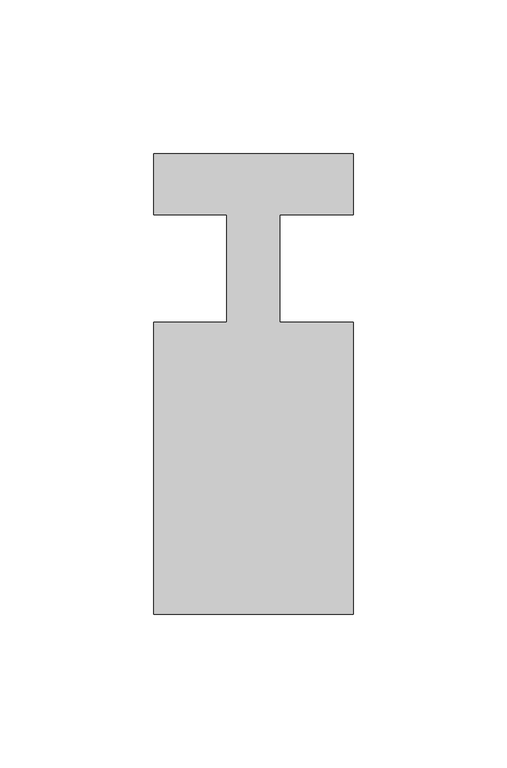
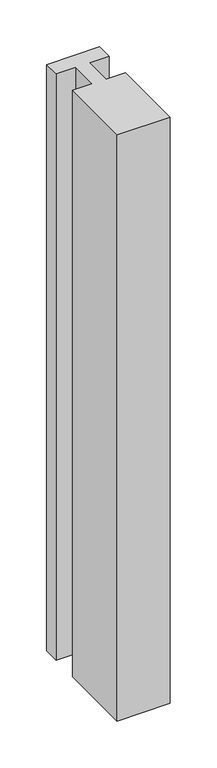
"""IFC4 building model written with IfcOpenShell, lengths in millimetres: member geometry."""

from ifc_helpers import new_model, si_unit, frame, origin, place, context, project, spatial, polyline, outline, extrude, source, transform, mapped, element, save


def member_20d946a8(model_context):
    return source(origin(), model_context, "Body", "SweptSolid", [
        extrude(outline(polyline([(-65.0, 37.0), (0.0, 37.0), (0.0, 17.0), (-23.8125, 17.0), (-23.8125, -18.0), (0.0, -18.0), (0.0, -113.0), (-65.0, -113.0), (-65.0, -18.0), (-41.1875, -18.0), (-41.1875, 17.0), (-65.0, 17.0), (-65.0, 37.0)])), frame((0.0, 0.0, -761.6666667), z_axis=(0.0, 0.0, 1.0), x_axis=(1.0, 0.0, 0.0)), (0.0, 0.0, 1.0), 761.6666667),
    ])


if __name__ == "__main__":
    model = new_model("IFC4")
    model_context = context("Model", 3, world=origin())
    ifc_project = project(units=[si_unit("LENGTHUNIT", "METRE", prefix="MILLI")], contexts=[model_context])
    site = spatial("IfcSite", under=ifc_project)
    building = spatial("IfcBuilding", under=site)
    placement = place(None, origin())
    member_shape = member_20d946a8(model_context)
    element("IfcMember", 1, at=placement, inside=building, context=model_context, shape_type="MappedRepresentation", body=[
        mapped(member_shape, transform((0.0, 0.0, 0.0), x_axis=(1.0, 0.0, 0.0), y_axis=(0.0, 1.0, 0.0), z_axis=(0.0, 0.0, 1.0))),
    ])
    save(model, "model.ifc")
